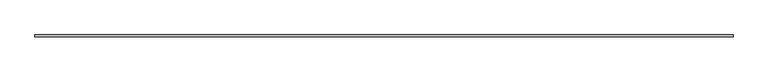
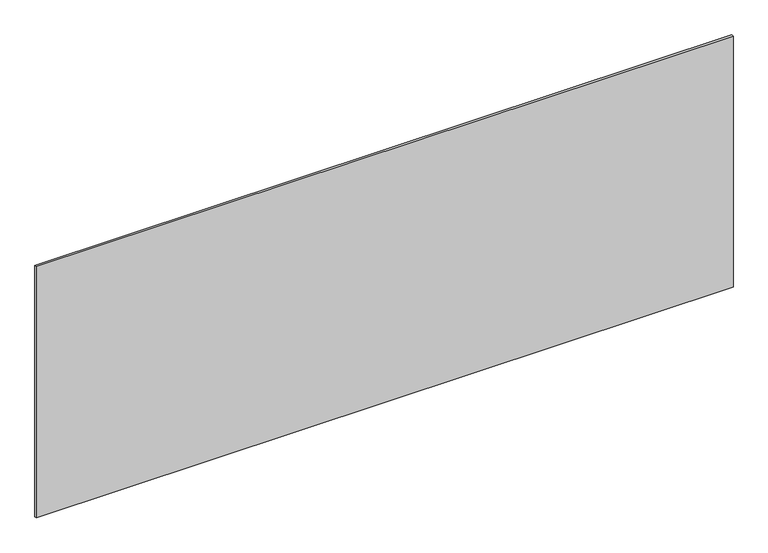
"""IFC4 building model written with IfcOpenShell, lengths in millimetres: plate geometry."""

from ifc_helpers import new_model, si_unit, origin, origin_with_axes, place, context, project, spatial, polyline, outline, extrude, source, transform, mapped, element, save


def plate_38ba5844(model_context):
    return source(origin(), model_context, "Body", "SweptSolid", [
        extrude(outline(polyline([(1697.5, -5.0), (-1697.5, -5.0), (-1697.5, 5.0), (1697.5, 5.0), (1697.5, -5.0)])), origin_with_axes(), (0.0, 0.0, 1.0), 1294.4008047),
    ])


if __name__ == "__main__":
    model = new_model("IFC4")
    model_context = context("Model", 3, world=origin())
    ifc_project = project(units=[si_unit("LENGTHUNIT", "METRE", prefix="MILLI")], contexts=[model_context])
    site = spatial("IfcSite", under=ifc_project)
    building = spatial("IfcBuilding", under=site)
    placement = place(None, origin())
    plate_shape = plate_38ba5844(model_context)
    element("IfcPlate", 1, at=placement, inside=building, context=model_context, shape_type="MappedRepresentation", body=[
        mapped(plate_shape, transform((0.0, 0.0, 0.0), x_axis=(1.0, 0.0, 0.0), y_axis=(0.0, 1.0, 0.0), z_axis=(0.0, 0.0, 1.0))),
    ])
    save(model, "model.ifc")
